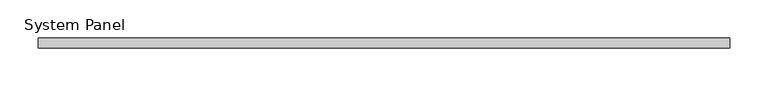
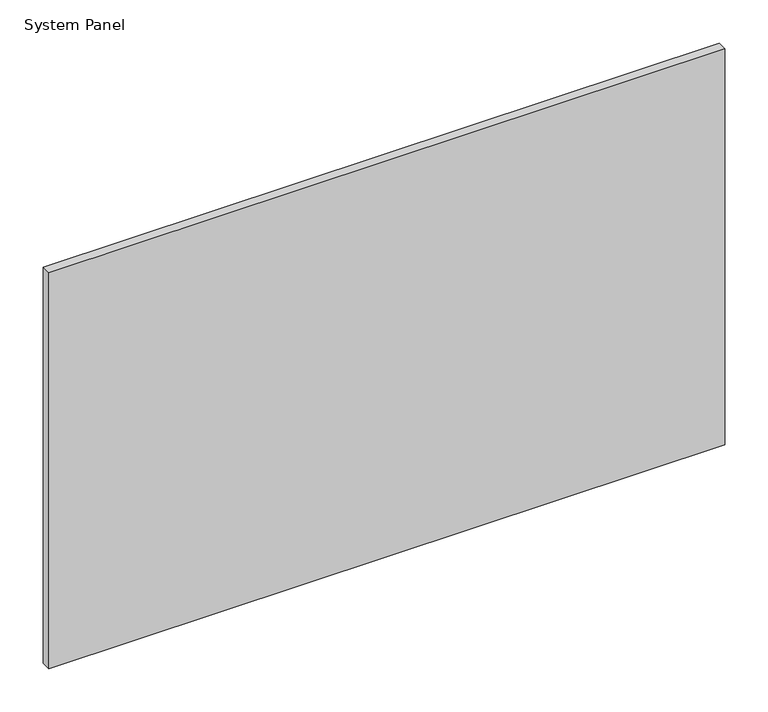
"""IFC4 building model written with IfcOpenShell, lengths in millimetres: plate geometry, System Panel."""

from ifc_helpers import new_model, si_unit, origin, origin_with_axes, place, context, project, spatial, polyline, outline, extrude, source, transform, mapped, element, save


def system_panel_e24ecfca(model_context):
    return source(origin(), model_context, "Body", "SweptSolid", [
        extrude(outline(polyline([(450.8500002, -12.7), (-450.8500002, -12.7), (-450.8500002, 0.0), (450.8500002, 0.0), (450.8500002, -12.7)])), origin_with_axes(), (0.0, 0.0, 1.0), 558.6260192),
    ])


if __name__ == "__main__":
    model = new_model("IFC4")
    model_context = context("Model", 3, world=origin())
    ifc_project = project(units=[si_unit("LENGTHUNIT", "METRE", prefix="MILLI")], contexts=[model_context])
    site = spatial("IfcSite", under=ifc_project)
    building = spatial("IfcBuilding", under=site)
    placement = place(None, origin())
    system_panel_shape = system_panel_e24ecfca(model_context)
    element("IfcPlate", 1, ObjectType="System Panel", at=placement, inside=building, context=model_context, shape_type="MappedRepresentation", body=[
        mapped(system_panel_shape, transform((0.0, 0.0, 0.0), x_axis=(1.0, 0.0, 0.0), y_axis=(0.0, 1.0, 0.0), z_axis=(0.0, 0.0, 1.0))),
    ])
    save(model, "model.ifc")
